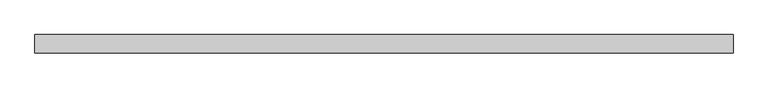
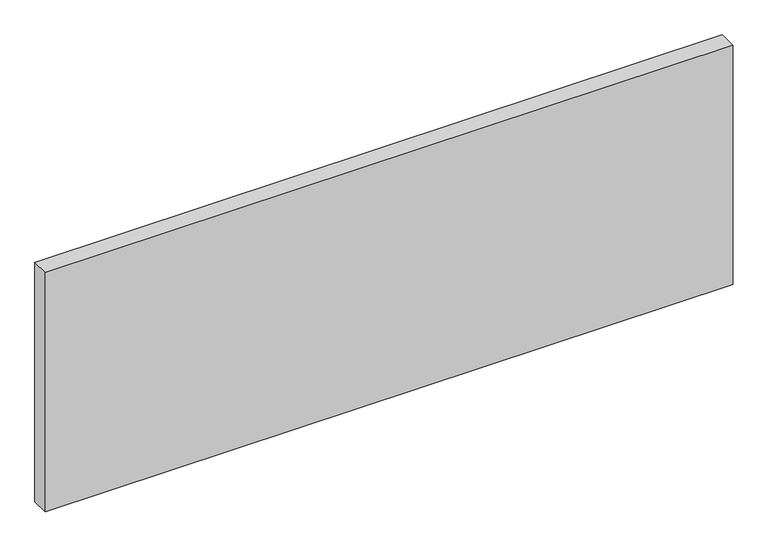
"""IFC4 building model written with IfcOpenShell, lengths in millimetres: plate geometry."""

from ifc_helpers import new_model, si_unit, origin, origin_with_axes, place, context, project, spatial, polyline, outline, extrude, source, transform, mapped, element, save


def plate_e45c8efe(model_context):
    return source(origin(), model_context, "Body", "SweptSolid", [
        extrude(outline(polyline([(670.9320652, -17.5), (-670.9320652, -17.5), (-670.9320652, 17.5), (670.9320652, 17.5), (670.9320652, -17.5)])), origin_with_axes(), (0.0, 0.0, 1.0), 493.8125),
    ])


if __name__ == "__main__":
    model = new_model("IFC4")
    model_context = context("Model", 3, world=origin())
    ifc_project = project(units=[si_unit("LENGTHUNIT", "METRE", prefix="MILLI")], contexts=[model_context])
    site = spatial("IfcSite", under=ifc_project)
    building = spatial("IfcBuilding", under=site)
    placement = place(None, origin())
    plate_shape = plate_e45c8efe(model_context)
    element("IfcPlate", 1, at=placement, inside=building, context=model_context, shape_type="MappedRepresentation", body=[
        mapped(plate_shape, transform((0.0, 0.0, 0.0), x_axis=(1.0, 0.0, 0.0), y_axis=(0.0, 1.0, 0.0), z_axis=(0.0, 0.0, 1.0))),
    ])
    save(model, "model.ifc")
